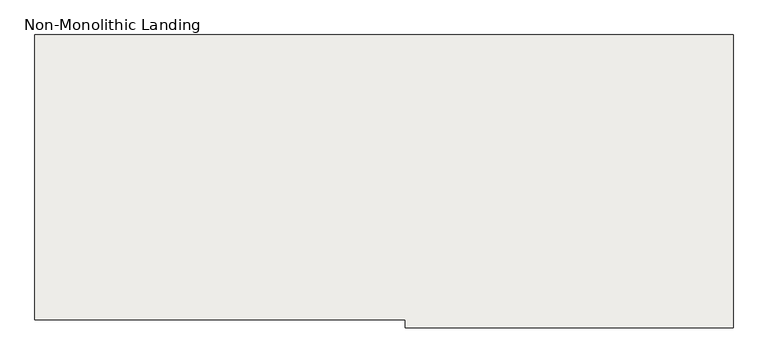
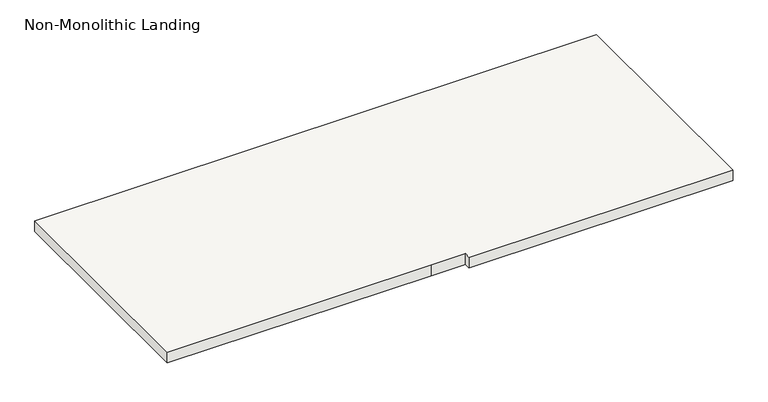
"""IFC4 building model written with IfcOpenShell, lengths in millimetres: slab geometry, Non-Monolithic Landing."""

from ifc_helpers import new_model, si_unit, frame, origin, place, context, project, spatial, polyline, outline, extrude, source, transform, mapped, element, save


def non_monolithic_landing_8170d7f6(model_context):
    return source(origin(), model_context, "Body", "SweptSolid", [
        extrude(outline(polyline([(395.5456243, -9073.6525014), (395.5456243, -8073.6525014), (2845.5456242, -8073.6525014), (2845.5456242, -9101.3929885), (1695.5456242, -9101.3929885), (1695.5456242, -9073.6525014), (1545.5456242, -9073.6525014), (395.5456243, -9073.6525014)])), frame((0.0, 0.0, -4850.0), z_axis=(0.0, 0.0, 1.0), x_axis=(1.0, 0.0, 0.0)), (0.0, 0.0, 1.0), 50.0),
    ])


if __name__ == "__main__":
    model = new_model("IFC4")
    model_context = context("Model", 3, world=origin())
    ifc_project = project(units=[si_unit("LENGTHUNIT", "METRE", prefix="MILLI")], contexts=[model_context])
    site = spatial("IfcSite", under=ifc_project)
    building = spatial("IfcBuilding", under=site)
    placement = place(None, origin())
    non_monolithic_landing_shape = non_monolithic_landing_8170d7f6(model_context)
    element("IfcSlab", 1, ObjectType="Non-Monolithic Landing", at=placement, inside=building, context=model_context, shape_type="MappedRepresentation", body=[
        mapped(non_monolithic_landing_shape, transform((0.0, 0.0, 0.0), x_axis=(1.0, 0.0, 0.0), y_axis=(0.0, 1.0, 0.0), z_axis=(0.0, 0.0, 1.0))),
    ])
    save(model, "model.ifc")
